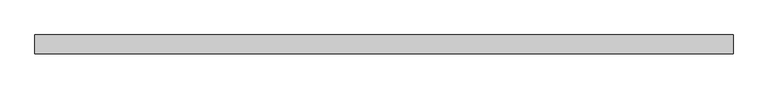
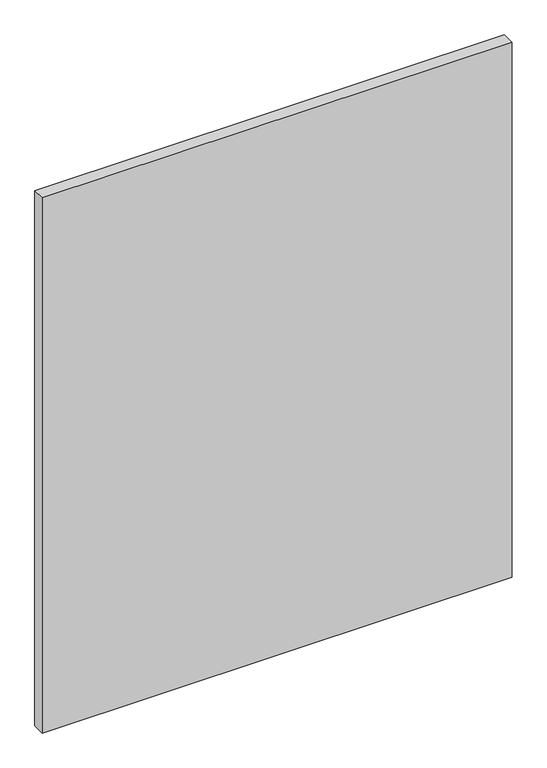
"""IFC4 building model written with IfcOpenShell, lengths in millimetres: plate geometry."""

from ifc_helpers import new_model, si_unit, origin, origin_with_axes, place, context, project, spatial, polyline, outline, extrude, source, transform, mapped, element, save


def plate_8eb216ab(model_context):
    return source(origin(), model_context, "Body", "SweptSolid", [
        extrude(outline(polyline([(731.4397034, -19.84375), (-731.4397034, -19.84375), (-731.4397034, 19.84375), (731.4397034, 19.84375), (731.4397034, -19.84375)])), origin_with_axes(), (0.0, 0.0, 1.0), 1761.3),
    ])


if __name__ == "__main__":
    model = new_model("IFC4")
    model_context = context("Model", 3, world=origin())
    ifc_project = project(units=[si_unit("LENGTHUNIT", "METRE", prefix="MILLI")], contexts=[model_context])
    site = spatial("IfcSite", under=ifc_project)
    building = spatial("IfcBuilding", under=site)
    placement = place(None, origin())
    plate_shape = plate_8eb216ab(model_context)
    element("IfcPlate", 1, at=placement, inside=building, context=model_context, shape_type="MappedRepresentation", body=[
        mapped(plate_shape, transform((0.0, 0.0, 0.0), x_axis=(1.0, 0.0, 0.0), y_axis=(0.0, 1.0, 0.0), z_axis=(0.0, 0.0, 1.0))),
    ])
    save(model, "model.ifc")
